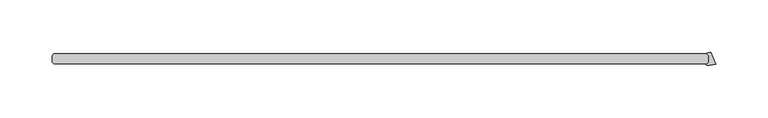
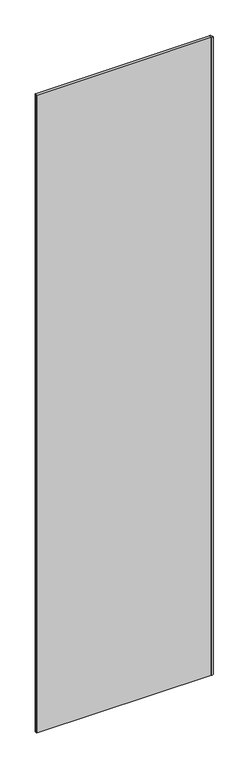
"""IFC4 building model written with IfcOpenShell, lengths in millimetres: plate geometry."""

from ifc_helpers import new_model, si_unit, point, frame_2d, origin, origin_with_axes, place, context, project, spatial, polyline, circle_curve, trimmed, segment, composite_curve, outline, extrude, source, transform, mapped, element, save


def plate_7b2f07f8(model_context):
    return source(origin(), model_context, "Body", "SweptSolid", [
        extrude(outline(composite_curve([segment(trimmed(circle_curve(frame_2d((312.9692784, 11.5674885)), 17.6705863), [point((319.1662555, -4.9808375))], [point((310.4862831, -5.9277781))], False, "CARTESIAN"), True, "CONTINUOUS"), segment(trimmed(circle_curve(frame_2d((310.5420503, -5.5348407)), 0.396875), [point((310.4862831, -5.9277781))], [point((310.2614173, -5.2542077))], False, "CARTESIAN"), True, "CONTINUOUS"), segment(polyline([(310.2614173, -5.2542077), (312.340625, -3.175), (312.340625, 3.175), (310.6341581, 4.8814669)]), True, "CONTINUOUS"), segment(trimmed(circle_curve(frame_2d((310.9147911, 5.1621)), 0.396875), [point((310.6341581, 4.8814669))], [point((310.9067113, 5.5588927))], False, "CARTESIAN"), True, "CONTINUOUS"), segment(trimmed(circle_curve(frame_2d((310.7393901, 13.775915)), 8.2187257), [point((310.9067113, 5.5588927))], [point((314.4372222, 6.4360587))], True, "CARTESIAN"), True, "CONTINUOUS"), segment(polyline([(314.4372222, 6.4360587), (319.1662555, -4.9808375)]), True, "CONTINUOUS")], self_intersect=False)), origin_with_axes(), (0.0, 0.0, 1.0), 2427.1914267),
        extrude(outline(polyline([(310.753125, -4.7625), (-315.515625, -4.7625), (-317.103125, -3.175), (-317.103125, 3.175), (-315.515625, 4.7625), (310.753125, 4.7625), (312.340625, 3.175), (312.340625, -3.175), (310.753125, -4.7625)])), origin_with_axes(), (0.0, 0.0, 1.0), 2427.1914267),
    ])


if __name__ == "__main__":
    model = new_model("IFC4")
    model_context = context("Model", 3, world=origin())
    ifc_project = project(units=[si_unit("LENGTHUNIT", "METRE", prefix="MILLI")], contexts=[model_context])
    site = spatial("IfcSite", under=ifc_project)
    building = spatial("IfcBuilding", under=site)
    placement = place(None, origin())
    plate_shape = plate_7b2f07f8(model_context)
    element("IfcPlate", 1, at=placement, inside=building, context=model_context, shape_type="MappedRepresentation", body=[
        mapped(plate_shape, transform((0.0, 0.0, 0.0), x_axis=(1.0, 0.0, 0.0), y_axis=(0.0, 1.0, 0.0), z_axis=(0.0, 0.0, 1.0))),
    ])
    save(model, "model.ifc")
